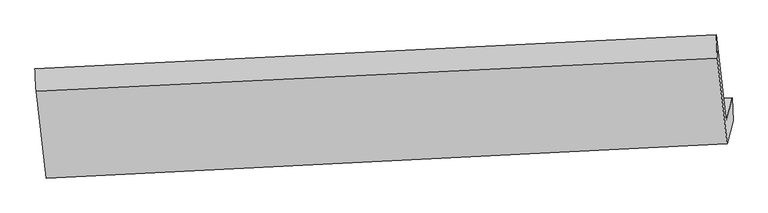
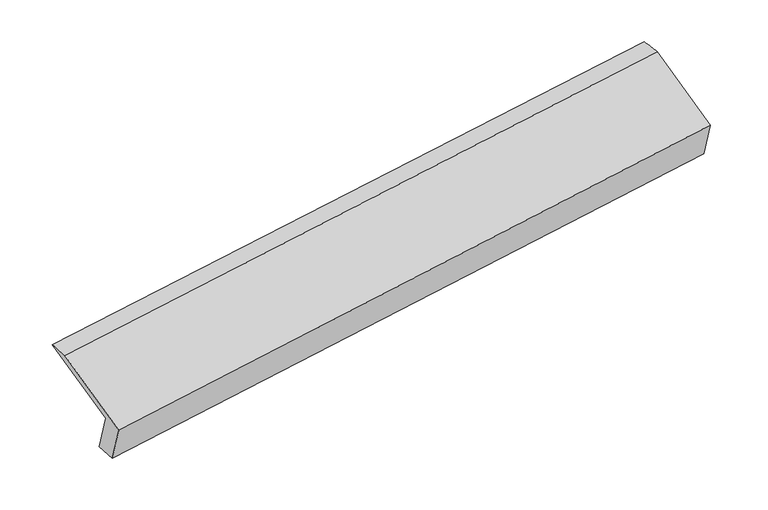
"""IFC4 building model written with IfcOpenShell, lengths in millimetres: proxy geometry."""

from ifc_helpers import new_model, si_unit, frame, origin, place, context, project, spatial, source, transform, mapped, element, save
from ifc_brep_helpers import plane_surface, spline_surface, advanced_brep


def generic_models_5f67fe28(model_context):
    return source(origin(), model_context, "Body", "AdvancedBrep", [
        advanced_brep(
        [(-5216.9970338, -1638.4750646, 1251.4623467), (-5258.7007354, -1800.2748481, 1600.7689244), (-451.7941669, -1560.4542261, 2296.8361095), (-410.0904653, -1398.6544426, 1947.5295317), (-5208.9853747, -1805.581607, 1254.7429671), (-404.1988202, -1560.8683065, 1963.9085199), (-5249.743374, -1963.7123052, 1596.1284241), (-446.0338434, -1723.1775842, 2314.3150352), (-5320.2660796, -1350.3511219, 1871.8193355), (-515.5135589, -1118.8876588, 2585.9286372), (-5328.4071392, -1194.0133337, 1873.2687076), (-521.5005708, -954.1927117, 2569.3358926)],
        [
            (0, 1),
            (1, 2),
            (2, 3),
            (3, 0),
            (4, 0),
            (3, 5),
            (5, 4),
            (6, 4),
            (5, 7),
            (7, 6),
            (8, 6),
            (7, 9),
            (9, 8),
            (10, 8),
            (9, 11),
            (11, 10),
            (1, 10),
            (11, 2),
        ],
        [
            plane_surface(frame((-5237.8488846, -1719.3749563, 1426.1156356), z_axis=(-0.10429901109725752, 0.9071257866192256, 0.407730945029422), x_axis=(-0.10770238787642805, -0.4178579442616707, 0.9021058330723319))),
            spline_surface(1, 1, [[(-5208.9853747, -1805.581607, 1254.7429671), (-404.1988202, -1560.8683065, 1963.9085199)], [(-5216.9970338, -1638.4750646, 1251.4623467), (-410.0904653, -1398.6544426, 1947.5295317)]], [2, 2], [2, 2], [0.0, 1.0], [0.0, 1.0]),
            plane_surface(frame((-5229.3643743, -1884.6469561, 1425.4356956), z_axis=(0.10633190867350689, -0.9070206904511764, -0.4074395566109412), x_axis=(0.10770238787642802, 0.4178579442616706, -0.9021058330723319))),
            plane_surface(frame((-5285.0047268, -1657.0317135, 1733.9738798), z_axis=(-0.11379958960594003, -0.4181595225495232, 0.9012171032035925), x_axis=(0.1042990110972656, -0.9071257866192236, -0.4077309450294243))),
            spline_surface(1, 1, [[(-5328.4071392, -1194.0133337, 1873.2687076), (-521.5005708, -954.1927117, 2569.3358926)], [(-5320.2660796, -1350.3511219, 1871.8193355), (-515.5135589, -1118.8876588, 2585.9286372)]], [2, 2], [2, 2], [0.0, 1.0], [0.0, 1.0]),
            plane_surface(frame((-5293.5539373, -1497.1440909, 1737.018816), z_axis=(0.10973527825687238, 0.4179602390000867, -0.9018133993908483), x_axis=(-0.10429901109726494, 0.9071257866192198, 0.40773094502943275))),
            plane_surface(frame((-458.1885709, -1386.039155, 2279.6422877), z_axis=(0.9886970779413927, 0.050175149903737566, 0.14128178368880207), x_axis=(0.1042990110972656, -0.9071257866192236, -0.4077309450294243))),
            plane_surface(frame((-5263.8499561, -1625.4013801, 1574.6984509), z_axis=(-0.988697077941393, -0.05017514990373128, -0.14128178368880054), x_axis=(0.10770238787642927, 0.41785794426167006, -0.902105833072332))),
        ],
        [
            (0, [[1, 2, 3, 4]]),
            (1, [[5, -4, 6, 7]]),
            (2, [[8, -7, 9, 10]]),
            (3, [[11, -10, 12, 13]]),
            (4, [[14, -13, 15, 16]]),
            (5, [[17, -16, 18, -2]]),
            (6, [[-12, -9, -6, -3, -18, -15]]),
            (7, [[-1, -5, -8, -11, -14, -17]]),
        ],
    ),
    ])


if __name__ == "__main__":
    model = new_model("IFC4")
    model_context = context("Model", 3, world=origin())
    ifc_project = project(units=[si_unit("LENGTHUNIT", "METRE", prefix="MILLI")], contexts=[model_context])
    site = spatial("IfcSite", under=ifc_project)
    building = spatial("IfcBuilding", under=site)
    placement = place(None, origin())
    generic_models_shape = generic_models_5f67fe28(model_context)
    element("IfcBuildingElementProxy", 1, Name="Generic Models", at=placement, inside=building, context=model_context, shape_type="MappedRepresentation", body=[
        mapped(generic_models_shape, transform((0.0, 0.0, 0.0), x_axis=(1.0, 0.0, 0.0), y_axis=(0.0, 1.0, 0.0), z_axis=(0.0, 0.0, 1.0))),
    ])
    save(model, "model.ifc")
